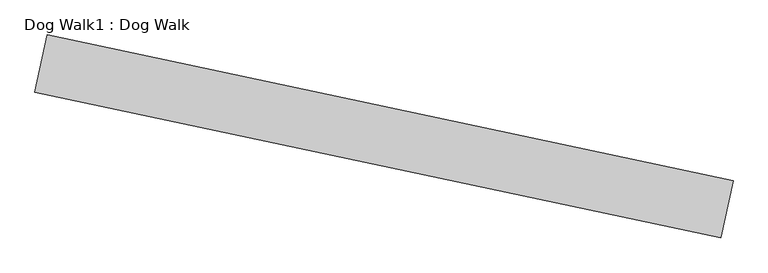
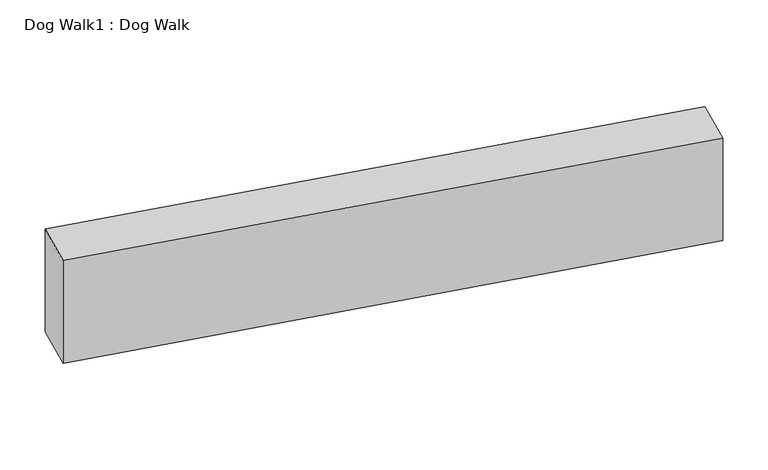
"""IFC4 building model written with IfcOpenShell, lengths in millimetres: proxy geometry, Dog Walk1 : Dog Walk."""

from ifc_helpers import new_model, si_unit, origin, origin_with_axes, place, context, project, spatial, polyline, outline, extrude, source, transform, mapped, element, save


def dog_walk1_dog_walk_2b2caf8c(model_context):
    return source(origin(), model_context, "Body", "SweptSolid", [
        extrude(outline(polyline([(140130.001674, -1988.723115), (140066.6301907, -2286.8625037), (136488.9575262, -1526.4047034), (136552.3290096, -1228.2653147), (140130.001674, -1988.723115)])), origin_with_axes(), (0.0, 0.0, 1.0), 660.4),
    ])


if __name__ == "__main__":
    model = new_model("IFC4")
    model_context = context("Model", 3, world=origin())
    ifc_project = project(units=[si_unit("LENGTHUNIT", "METRE", prefix="MILLI")], contexts=[model_context])
    site = spatial("IfcSite", under=ifc_project)
    building = spatial("IfcBuilding", under=site)
    placement = place(None, origin())
    dog_walk1_dog_walk_shape = dog_walk1_dog_walk_2b2caf8c(model_context)
    element("IfcBuildingElementProxy", 1, Name="Dog Walk1 : Dog Walk", ObjectType="Dog Walk1 : Dog Walk", at=placement, inside=building, context=model_context, shape_type="MappedRepresentation", body=[
        mapped(dog_walk1_dog_walk_shape, transform((0.0, 0.0, 0.0), x_axis=(1.0, 0.0, 0.0), y_axis=(0.0, 1.0, 0.0), z_axis=(0.0, 0.0, 1.0))),
    ])
    save(model, "model.ifc")
